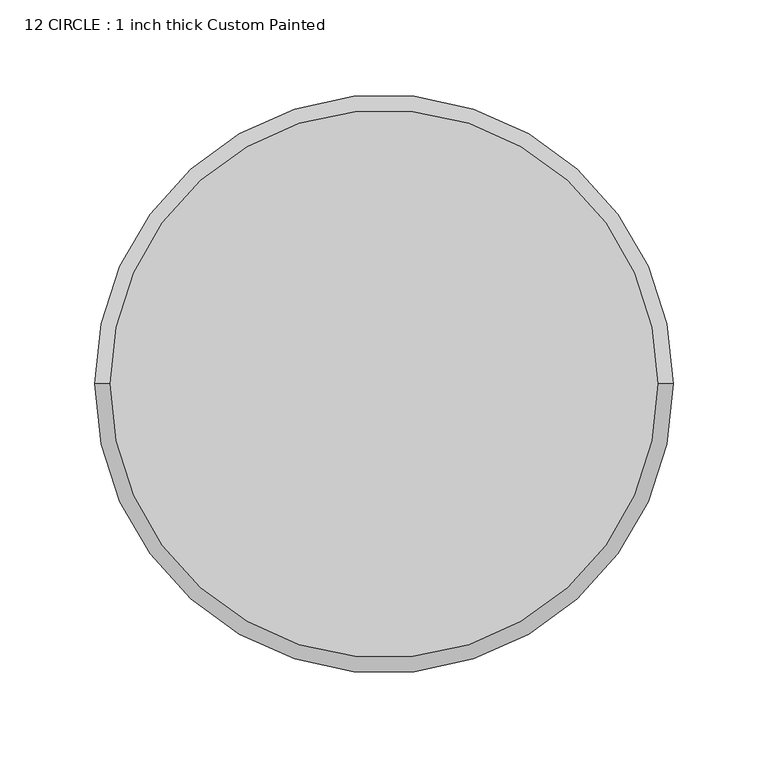
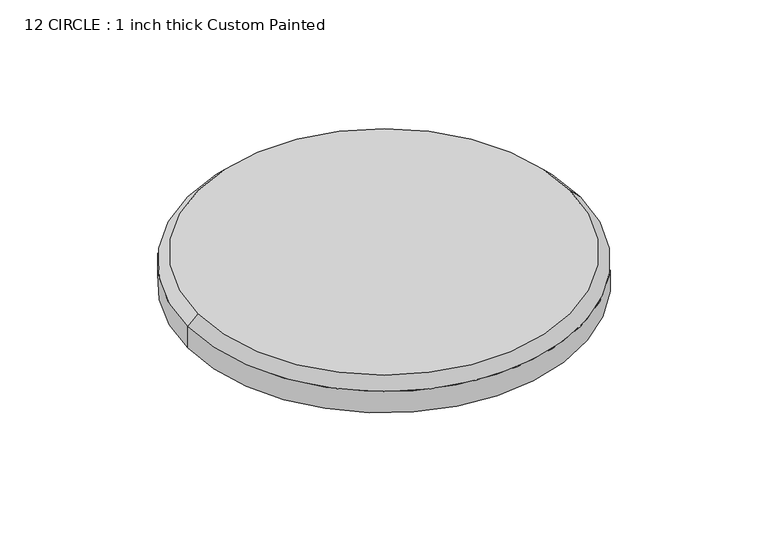
"""IFC4 building model written with IfcOpenShell, lengths in millimetres: proxy geometry, 12 CIRCLE : 1 inch thick Custom Painted."""

from ifc_helpers import new_model, si_unit, frame, origin, origin_with_axes, place, context, project, spatial, polyline, circle_curve, source, transform, mapped, element, save
from ifc_brep_helpers import plane_surface, cylinder_surface, revolved_surface, advanced_brep


def proxy_12_circle_1_inch_thick_custom_painted_810686c5(model_context):
    return source(origin(), model_context, "Body", "AdvancedBrep", [
        advanced_brep(
        [(-144.399, 0.0, 25.4), (144.399, 0.0, 25.4), (-152.4, 0.0, 0.0), (152.4, 0.0, 0.0), (152.4, 0.0, 17.399), (-152.4, 0.0, 17.399)],
        [
            (0, 1, circle_curve(frame((0.0, 0.0, 25.4), z_axis=(0.0, 0.0, 1.0), x_axis=(-1.0, 0.0, 0.0)), 144.399)),
            (1, 0, circle_curve(frame((0.0, 0.0, 25.4), z_axis=(0.0, 0.0, 1.0), x_axis=(1.0, 0.0, 0.0)), 144.399)),
            (2, 3, circle_curve(frame((0.0, 0.0, 0.0), z_axis=(0.0, 0.0, -1.0), x_axis=(1.0, 0.0, 0.0)), 152.4)),
            (3, 2, circle_curve(frame((0.0, 0.0, 0.0), z_axis=(0.0, 0.0, -1.0), x_axis=(1.0, 0.0, 0.0)), 152.4)),
            (3, 4),
            (4, 5, circle_curve(frame((0.0, 0.0, 17.399), z_axis=(0.0, 0.0, -1.0), x_axis=(1.0, 0.0, 0.0)), 152.4)),
            (5, 2),
            (5, 4, circle_curve(frame((0.0, 0.0, 17.399), z_axis=(0.0, 0.0, -1.0), x_axis=(1.0, 0.0, 0.0)), 152.4)),
            (4, 1),
            (0, 5),
        ],
        [
            plane_surface(frame((152.4, 0.0, 25.4), z_axis=(0.0, 0.0, 1.0), x_axis=(0.0, 1.0, 0.0))),
            plane_surface(frame((152.4, 0.0, 0.0), z_axis=(0.0, 0.0, -1.0), x_axis=(0.0, -1.0, 0.0))),
            cylinder_surface(origin_with_axes(), 152.4),
            revolved_surface(polyline([(-152.4, 0.0, 17.399), (-144.399, 0.0, 25.4)]), (0.0, 0.0, 25.4), (0.0, 0.0, 1.0)),
            revolved_surface(polyline([(152.4, 0.0, 17.399), (144.399, 0.0, 25.4)]), (0.0, 0.0, 25.4), (0.0, 0.0, 1.0)),
        ],
        [
            (0, [[1, 2]]),
            (1, [[3, 4]]),
            (2, [[-4, 5, 6, 7]]),
            (2, [[-3, -7, 8, -5]]),
            (3, [[9, -1, 10, -6]]),
            (4, [[-9, -8, -10, -2]]),
        ],
    ),
    ])


if __name__ == "__main__":
    model = new_model("IFC4")
    model_context = context("Model", 3, world=origin())
    ifc_project = project(units=[si_unit("LENGTHUNIT", "METRE", prefix="MILLI")], contexts=[model_context])
    site = spatial("IfcSite", under=ifc_project)
    building = spatial("IfcBuilding", under=site)
    placement = place(None, origin())
    proxy_12_circle_1_inch_thick_custom_painted_shape = proxy_12_circle_1_inch_thick_custom_painted_810686c5(model_context)
    element("IfcBuildingElementProxy", 1, Name="12 CIRCLE : 1 inch thick Custom Painted", ObjectType="12 CIRCLE : 1 inch thick Custom Painted", at=placement, inside=building, context=model_context, shape_type="MappedRepresentation", body=[
        mapped(proxy_12_circle_1_inch_thick_custom_painted_shape, transform((0.0, 0.0, 0.0), x_axis=(1.0, 0.0, 0.0), y_axis=(0.0, 1.0, 0.0), z_axis=(0.0, 0.0, 1.0))),
    ])
    save(model, "model.ifc")
